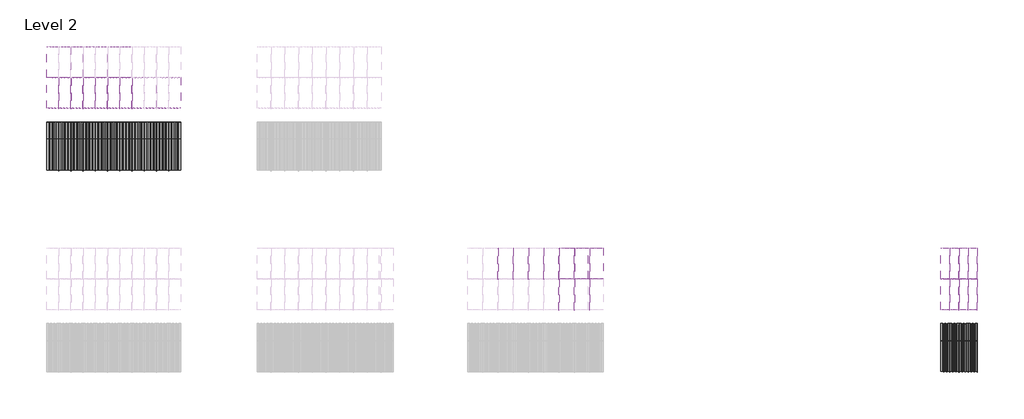
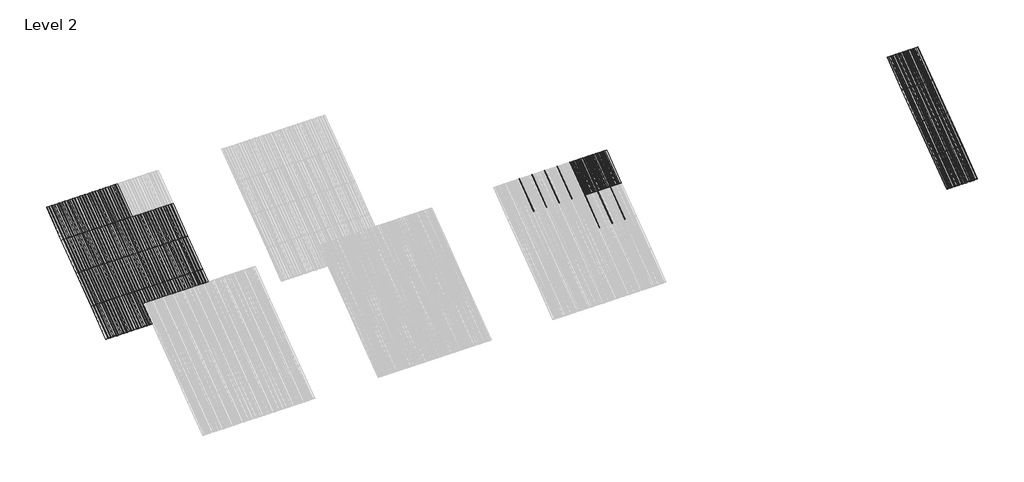
# One storey, part 34 of 113: 59 plates, 52 members.
"""IFC4 building model written with IfcOpenShell, lengths in millimetres."""

import ifcopenshell
import ifcopenshell.guid

model = None  # the IFC model being written
_history = None  # IfcOwnerHistory: only IFC2X3 demands one
_inside = {}  # id of a spatial element -> (the spatial element, [elements in it])
_under = {}  # id of a project, library or spatial element -> (it, [spatial elements below it])
_declared = {}  # id of a project -> (the project, [libraries it declares])
_typed = {}  # id of a type object -> (the type object, [elements of that type])
_made_of = {}  # id of a material, layer set ... -> (it, [elements and type objects made of it])


def new_model(schema):
    """Start an empty IFC model of exactly this schema.

    Asked for "IFC4X3", IfcOpenShell would pick the latest addendum, in which some entities
    have other attributes; the version numbers below select the first issue.
    IFC2X3 requires an IfcOwnerHistory on every rooted entity: one is made here for all.
    """
    global model, _history
    if schema == "IFC4X3":
        model = ifcopenshell.file(schema_version=(4, 3, 0, 0))
    else:
        model = ifcopenshell.file(schema=schema)
    _inside.clear()
    _under.clear()
    _declared.clear()
    _typed.clear()
    _made_of.clear()
    _history = None
    if model.schema == "IFC2X3":
        org = make("IfcOrganization", Name="unknown")
        user = make(
            "IfcPersonAndOrganization",
            ThePerson=make("IfcPerson", FamilyName="unknown"),
            TheOrganization=org,
        )
        app = make(
            "IfcApplication",
            ApplicationDeveloper=org,
            Version="unknown",
            ApplicationFullName="unknown",
            ApplicationIdentifier="unknown",
        )
        _history = make(
            "IfcOwnerHistory",
            OwningUser=user,
            OwningApplication=app,
            ChangeAction="ADDED",
            CreationDate=0,
        )
    return model


def make(cls, **values):
    """One entity of the class cls with the attributes given. An attribute that is None is left unset."""
    return model.create_entity(
        cls, **{name: value for name, value in values.items() if value is not None}
    )


def rooted(cls, **values):
    """An entity with a GlobalId (a new one), such as an element, a storey or a relation."""
    return make(cls, GlobalId=ifcopenshell.guid.new(), OwnerHistory=_history, **values)


def si_unit(unit_type, name, prefix=None):
    """IfcSIUnit, for example si_unit("LENGTHUNIT", "METRE", prefix="MILLI")."""
    return make("IfcSIUnit", UnitType=unit_type, Prefix=prefix, Name=name)


def assignment(units):
    """IfcUnitAssignment: the units of a project."""
    return None if units is None else make("IfcUnitAssignment", Units=units)


def point(xyz):
    """IfcCartesianPoint."""
    return None if xyz is None else make("IfcCartesianPoint", Coordinates=xyz)


def direction(xyz):
    """IfcDirection."""
    return None if xyz is None else make("IfcDirection", DirectionRatios=xyz)


def frame(location, z_axis=None, x_axis=None):
    """IfcAxis2Placement3D, a coordinate frame: its origin and axes. An axis left out is left unset."""
    return make(
        "IfcAxis2Placement3D",
        Location=point(location),
        Axis=direction(z_axis),
        RefDirection=direction(x_axis),
    )


def frame_2d(location, x_axis=None):
    """IfcAxis2Placement2D, a coordinate frame in the plane: its origin and x axis."""
    return make(
        "IfcAxis2Placement2D", Location=point(location), RefDirection=direction(x_axis)
    )


def origin():
    """The frame at (0, 0, 0) with its axes left unset."""
    return frame((0.0, 0.0, 0.0))


def origin_with_axes():
    """The frame at (0, 0, 0) with the z axis (0, 0, 1) and the x axis (1, 0, 0) written out."""
    return frame((0.0, 0.0, 0.0), z_axis=(0.0, 0.0, 1.0), x_axis=(1.0, 0.0, 0.0))


def place(relative_to, where):
    """IfcLocalPlacement: puts the frame where relative to a parent placement (None: the world)."""
    return make(
        "IfcLocalPlacement", PlacementRelTo=relative_to, RelativePlacement=where
    )


def context(
    kind, dimensions, precision=None, world=None, true_north=None, identifier=None
):
    """IfcGeometricRepresentationContext, for example the 3D "Model" context."""
    return make(
        "IfcGeometricRepresentationContext",
        ContextIdentifier=identifier,
        ContextType=kind,
        CoordinateSpaceDimension=dimensions,
        Precision=precision,
        WorldCoordinateSystem=world,
        TrueNorth=true_north,
    )


def project(units=None, contexts=None):
    """IfcProject with its units and contexts."""
    return rooted(
        "IfcProject",
        Name="project",
        RepresentationContexts=contexts,
        UnitsInContext=assignment(units),
    )


def spatial(cls, under=None, at=None, **own):
    """A site, building, storey or space (cls), placed at a placement, below another one or the project."""
    s = rooted(cls, ObjectPlacement=at, **own)
    if under is not None:
        _under.setdefault(under.id(), (under, []))[1].append(s)
    return s


def polyline(points):
    """IfcPolyline through the points."""
    return make("IfcPolyline", Points=[point(p) for p in points])


def circle_curve(where, radius):
    """IfcCircle in the frame where."""
    return make("IfcCircle", Position=where, Radius=radius)


def trimmed(basis, trim1, trim2, sense, master):
    """IfcTrimmedCurve: the piece of a basis curve between two trims."""
    return make(
        "IfcTrimmedCurve",
        BasisCurve=basis,
        Trim1=trim1,
        Trim2=trim2,
        SenseAgreement=sense,
        MasterRepresentation=master,
    )


def segment(curve, same_sense, transition):
    """IfcCompositeCurveSegment."""
    return make(
        "IfcCompositeCurveSegment",
        Transition=transition,
        SameSense=same_sense,
        ParentCurve=curve,
    )


def composite_curve(segments, self_intersect=None):
    """IfcCompositeCurve: segments joined end to end."""
    return make("IfcCompositeCurve", Segments=segments, SelfIntersect=self_intersect)


def outline(outer, holes=None, kind="AREA"):
    """IfcArbitraryClosedProfileDef: a profile drawn as a closed curve; with holes, ...WithVoids."""
    if holes is None:
        return make("IfcArbitraryClosedProfileDef", ProfileType=kind, OuterCurve=outer)
    return make(
        "IfcArbitraryProfileDefWithVoids",
        ProfileType=kind,
        OuterCurve=outer,
        InnerCurves=holes,
    )


def extrude(swept, where, along, depth):
    """IfcExtrudedAreaSolid: the profile swept, set in the frame where, extruded along a direction by depth."""
    return make(
        "IfcExtrudedAreaSolid",
        SweptArea=swept,
        Position=where,
        ExtrudedDirection=direction(along),
        Depth=depth,
    )


def shape(context_of_items, identifier, shape_type, items):
    """IfcShapeRepresentation: the items that make up one representation, for example the "Body"."""
    return make(
        "IfcShapeRepresentation",
        ContextOfItems=context_of_items,
        RepresentationIdentifier=identifier,
        RepresentationType=shape_type,
        Items=items,
    )


def source(mapping_origin, context_of_items, identifier, shape_type, items):
    """IfcRepresentationMap: a shape defined once, which mapped items show again and again."""
    return make(
        "IfcRepresentationMap",
        MappingOrigin=mapping_origin,
        MappedRepresentation=shape(context_of_items, identifier, shape_type, items),
    )


def transform(
    local_origin,
    x_axis=None,
    y_axis=None,
    z_axis=None,
    scale=None,
    scale2=None,
    scale3=None,
    uniform=True,
):
    """IfcCartesianTransformationOperator3D, or its non-uniform kind. x_axis, y_axis, z_axis: its Axis1, 2, 3."""
    if uniform:
        return make(
            "IfcCartesianTransformationOperator3D",
            Axis1=direction(x_axis),
            Axis2=direction(y_axis),
            LocalOrigin=point(local_origin),
            Scale=scale,
            Axis3=direction(z_axis),
        )
    return make(
        "IfcCartesianTransformationOperator3DnonUniform",
        Axis1=direction(x_axis),
        Axis2=direction(y_axis),
        LocalOrigin=point(local_origin),
        Scale=scale,
        Axis3=direction(z_axis),
        Scale2=scale2,
        Scale3=scale3,
    )


def mapped(mapping_source, mapping_target):
    """IfcMappedItem: shows the shape of a source again, moved by a transform."""
    return make(
        "IfcMappedItem", MappingSource=mapping_source, MappingTarget=mapping_target
    )


def made_of(thing, what):
    """Note that an element or type object is made of a material, layer set ...; save() writes the relation."""
    if what is not None:
        _made_of.setdefault(what.id(), (what, []))[1].append(thing)
    return thing


def element(
    cls,
    number,
    at=None,
    inside=None,
    cuts=None,
    type_object=None,
    material=None,
    context=None,
    identifier="Body",
    shape_type=None,
    held_by="IfcProductDefinitionShape",
    body=None,
    shapes=None,
    **own,
):
    """One element of the class cls, such as IfcWall. Its Tag is "e" and its number.

    at: its placement. inside: the storey or other place that contains it. cuts: it is an
    opening in that element (IfcRelVoidsElement). A single representation is given by context,
    identifier, shape_type and body (its items); several are given by shapes. held_by: the class
    of the entity that holds the representations. save() writes the other relations.
    """
    e = rooted(cls, Tag="e%d" % number, ObjectPlacement=at, **own)
    if body is not None:
        shapes = [shape(context, identifier, shape_type, body)]
    if shapes is not None:
        e.Representation = make(held_by, Representations=shapes)
    if inside is not None:
        _inside.setdefault(inside.id(), (inside, []))[1].append(e)
    if cuts is not None:
        rooted(
            "IfcRelVoidsElement", RelatingBuildingElement=cuts, RelatedOpeningElement=e
        )
    if type_object is not None:
        _typed.setdefault(type_object.id(), (type_object, []))[1].append(e)
    return made_of(e, material)


def aggregate(whole, parts):
    """IfcRelAggregates: a whole, such as a stair, and the parts it consists of."""
    return rooted("IfcRelAggregates", RelatingObject=whole, RelatedObjects=parts)


def save(model, path):
    """Write the relations noted so far, then the file.

    IfcRelAggregates (storeys below a building ...), IfcRelContainedInSpatialStructure (elements
    in a storey), IfcRelDefinesByType, IfcRelAssociatesMaterial and IfcRelDeclares: one each for
    every whole, place, type object, material and project.
    """
    for whole, parts in _under.values():
        aggregate(whole, parts)
    for where, things in _inside.values():
        rooted(
            "IfcRelContainedInSpatialStructure",
            RelatedElements=things,
            RelatingStructure=where,
        )
    for kind, things in _typed.values():
        rooted("IfcRelDefinesByType", RelatedObjects=things, RelatingType=kind)
    for what, things in _made_of.values():
        rooted("IfcRelAssociatesMaterial", RelatedObjects=things, RelatingMaterial=what)
    for by, libraries in _declared.values():
        rooted("IfcRelDeclares", RelatingContext=by, RelatedDefinitions=libraries)
    model.write(path)


def rectangular_mullion_707b4951(model_context):
    return source(origin(), model_context, "Body", "SweptSolid", [
        extrude(outline(composite_curve([segment(polyline([(-1.651, -33.918525), (-1.651, 0.396875), (1.778, 0.396875), (1.778, -36.458525)]), True, "CONTINUOUS"), segment(trimmed(circle_curve(frame_2d((-0.762, -36.458525)), 2.54), [point((1.778, -36.458525))], [point((-0.762, -38.998525))], False, "CARTESIAN"), True, "CONTINUOUS"), segment(polyline([(-0.762, -38.998525), (-5.207, -38.998525)]), True, "CONTINUOUS"), segment(trimmed(circle_curve(frame_2d((-5.207, -36.458525)), 2.54), [point((-5.207, -38.998525))], [point((-7.747, -36.458525))], False, "CARTESIAN"), True, "CONTINUOUS"), segment(polyline([(-7.747, -36.458525), (-7.747, -26.425525)]), True, "CONTINUOUS"), segment(trimmed(circle_curve(frame_2d((-5.207, -26.425525)), 2.54), [point((-7.747, -26.425525))], [point((-2.667, -26.425525))], False, "CARTESIAN"), True, "CONTINUOUS"), segment(polyline([(-2.667, -26.425525), (-2.667, -33.918525), (-1.651, -33.918525)]), True, "CONTINUOUS")], self_intersect=False)), frame((0.0, 0.0, -1285.875), z_axis=(0.0, 0.0, 1.0), x_axis=(1.0, 0.0, 0.0)), (0.0, 0.0, 1.0), 1285.875),
    ])


def plate_0_032_aluminium_e5f8d374(model_context):
    return source(origin(), model_context, "Body", "SweptSolid", [
        extrude(outline(polyline([(14.706393, 0.0), (-14.706393, 0.0), (-37.203173, -3.54838), (-66.870787, -3.54838), (-89.367567, 0.0), (-118.780353, 0.0), (-141.277133, -3.54838), (-170.944747, -3.54838), (-193.441527, 0.0), (-254.0, 0.0), (-254.0, 0.8128), (-193.37782, 0.8128), (-170.88104, -2.73558), (-141.34084, -2.73558), (-118.84406, 0.8128), (-89.30386, 0.8128), (-66.80708, -2.73558), (-37.26688, -2.73558), (-14.7701, 0.8128), (14.7701, 0.8128), (37.26688, -2.73558), (66.80708, -2.73558), (89.30386, 0.8128), (118.84406, 0.8128), (141.34084, -2.73558), (170.88104, -2.73558), (193.37782, 0.8128), (254.0, 0.8128), (254.0, 0.0), (193.441527, 0.0), (170.944747, -3.54838), (141.277133, -3.54838), (118.780353, 0.0), (89.367567, 0.0), (66.870787, -3.54838), (37.203173, -3.54838), (14.706393, 0.0)])), origin_with_axes(), (0.0, 0.0, 1.0), 1285.875),
    ])


def plate_0_032_aluminium_91d3225e(model_context):
    return source(origin(), model_context, "Body", "SweptSolid", [
        extrude(outline(polyline([(-123.9800294, 0.8128), (-120.4316494, -2.73558), (-90.8914494, -2.73558), (-87.3430694, 0.8128), (-18.31848, 0.8128), (-14.7701, -2.73558), (14.7701, -2.73558), (18.31848, 0.8128), (85.75548, 0.8128), (89.30386, -2.73558), (118.84406, -2.73558), (122.39244, 0.8128), (203.2, 0.8128), (203.2, 0.0), (122.456147, 0.0), (118.907767, -3.54838), (89.240153, -3.54838), (85.691773, 0.0), (18.382187, 0.0), (14.833807, -3.54838), (-14.833807, -3.54838), (-18.382187, 0.0), (-87.2793624, 0.0), (-90.8277424, -3.54838), (-120.4953564, -3.54838), (-124.0437364, 0.0), (-203.2, 0.0), (-203.2, 0.8128), (-123.9800294, 0.8128)])), origin_with_axes(), (0.0, 0.0, 1.0), 1285.875),
    ])


def plate_0_032_aluminium_fd951f71(model_context):
    return source(origin(), model_context, "Body", "SweptSolid", [
        extrude(outline(polyline([(-89.30386, 0.8128), (-66.80708, -2.73558), (-37.26688, -2.73558), (-14.7701, 0.8128), (14.7701, 0.8128), (37.26688, -2.73558), (66.80708, -2.73558), (89.30386, 0.8128), (152.4, 0.8128), (152.4, 0.0), (89.367567, 0.0), (66.870787, -3.54838), (37.203173, -3.54838), (14.706393, 0.0), (-14.706393, 0.0), (-37.203173, -3.54838), (-66.870787, -3.54838), (-89.367567, 0.0), (-152.4, 0.0), (-152.4, 0.8128), (-89.30386, 0.8128)])), origin_with_axes(), (0.0, 0.0, 1.0), 1285.875),
    ])


model = new_model("IFC4")

# Units and contexts
model_context = context("Model", 3, world=origin())
ifc_project = project(units=[si_unit("LENGTHUNIT", "METRE", prefix="MILLI")], contexts=[model_context])

# Site, building, storey
site = spatial("IfcSite", under=ifc_project)
building = spatial("IfcBuilding", under=site)
storey = spatial("IfcBuildingStorey", under=building, Name="Level 2", Elevation=3048.0)

# Members
placement = place(None, origin())
rectangular_mullion_shape = rectangular_mullion_707b4951(model_context)
element("IfcMember", 1, ObjectType="Rectangular Mullion", at=placement, inside=storey, context=model_context, shape_type="MappedRepresentation", body=[
    mapped(rectangular_mullion_shape, transform((95071.2738425, 45668.9258739, 6134.1), x_axis=(1.0, 0.0, 0.0), y_axis=(0.0, 0.5999999999999946, -0.800000000000004), z_axis=(0.0, 0.800000000000004, 0.5999999999999946))),
])
element("IfcMember", 2, ObjectType="Rectangular Mullion", at=placement, inside=storey, context=model_context, shape_type="MappedRepresentation", body=[
    mapped(rectangular_mullion_shape, transform((95376.0738425, 45668.9258739, 6134.1), x_axis=(1.0, 0.0, 0.0), y_axis=(0.0, 0.5999999999999946, -0.800000000000004), z_axis=(0.0, 0.800000000000004, 0.5999999999999946))),
])
element("IfcMember", 3, ObjectType="Rectangular Mullion", at=placement, inside=storey, context=model_context, shape_type="MappedRepresentation", body=[
    mapped(rectangular_mullion_shape, transform((95680.8738425, 45668.9258739, 6134.1), x_axis=(1.0, 0.0, 0.0), y_axis=(0.0, 0.5999999999999946, -0.800000000000004), z_axis=(0.0, 0.800000000000004, 0.5999999999999946))),
])
element("IfcMember", 4, ObjectType="Rectangular Mullion", at=placement, inside=storey, context=model_context, shape_type="MappedRepresentation", body=[
    mapped(rectangular_mullion_shape, transform((95985.6738425, 45668.9258739, 6134.1), x_axis=(1.0, 0.0, 0.0), y_axis=(0.0, 0.5999999999999946, -0.800000000000004), z_axis=(0.0, 0.800000000000004, 0.5999999999999946))),
])
element("IfcMember", 5, ObjectType="Rectangular Mullion", at=placement, inside=storey, context=model_context, shape_type="MappedRepresentation", body=[
    mapped(rectangular_mullion_shape, transform((95071.2738425, 42582.8258739, 3819.525), x_axis=(1.0, 0.0, 0.0), y_axis=(0.0, 0.5999999999999939, -0.8000000000000047), z_axis=(0.0, 0.8000000000000047, 0.5999999999999939))),
])
element("IfcMember", 6, ObjectType="Rectangular Mullion", at=placement, inside=storey, context=model_context, shape_type="MappedRepresentation", body=[
    mapped(rectangular_mullion_shape, transform((95376.0738425, 42582.8258739, 3819.525), x_axis=(1.0, 0.0, 0.0), y_axis=(0.0, 0.5999999999999939, -0.8000000000000047), z_axis=(0.0, 0.8000000000000047, 0.5999999999999939))),
])
element("IfcMember", 7, ObjectType="Rectangular Mullion", at=placement, inside=storey, context=model_context, shape_type="MappedRepresentation", body=[
    mapped(rectangular_mullion_shape, transform((95680.8738425, 42582.8258739, 3819.525), x_axis=(1.0, 0.0, 0.0), y_axis=(0.0, 0.5999999999999939, -0.8000000000000047), z_axis=(0.0, 0.8000000000000047, 0.5999999999999939))),
])
element("IfcMember", 8, ObjectType="Rectangular Mullion", at=placement, inside=storey, context=model_context, shape_type="MappedRepresentation", body=[
    mapped(rectangular_mullion_shape, transform((95985.6738425, 42582.8258739, 3819.525), x_axis=(1.0, 0.0, 0.0), y_axis=(0.0, 0.5999999999999939, -0.8000000000000047), z_axis=(0.0, 0.8000000000000047, 0.5999999999999939))),
])
element("IfcMember", 9, ObjectType="Rectangular Mullion", at=placement, inside=storey, context=model_context, shape_type="MappedRepresentation", body=[
    mapped(rectangular_mullion_shape, transform((95071.2738425, 43611.5258739, 4591.05), x_axis=(1.0, 0.0, 0.0), y_axis=(0.0, 0.5999999999999952, -0.8000000000000037), z_axis=(0.0, 0.8000000000000037, 0.5999999999999952))),
])
element("IfcMember", 10, ObjectType="Rectangular Mullion", at=placement, inside=storey, context=model_context, shape_type="MappedRepresentation", body=[
    mapped(rectangular_mullion_shape, transform((95376.0738425, 43611.5258739, 4591.05), x_axis=(1.0, 0.0, 0.0), y_axis=(0.0, 0.5999999999999952, -0.8000000000000037), z_axis=(0.0, 0.8000000000000037, 0.5999999999999952))),
])
element("IfcMember", 11, ObjectType="Rectangular Mullion", at=placement, inside=storey, context=model_context, shape_type="MappedRepresentation", body=[
    mapped(rectangular_mullion_shape, transform((95071.2738425, 44640.2258739, 5362.575), x_axis=(1.0, 0.0, 0.0), y_axis=(0.0, 0.5999999999999941, -0.8000000000000045), z_axis=(0.0, 0.8000000000000044, 0.599999999999994))),
])
element("IfcMember", 12, ObjectType="Rectangular Mullion", at=placement, inside=storey, context=model_context, shape_type="MappedRepresentation", body=[
    mapped(rectangular_mullion_shape, transform((95376.0738425, 44640.2258739, 5362.575), x_axis=(1.0, 0.0, 0.0), y_axis=(0.0, 0.5999999999999941, -0.8000000000000045), z_axis=(0.0, 0.8000000000000044, 0.599999999999994))),
])
element("IfcMember", 13, ObjectType="Rectangular Mullion", at=placement, inside=storey, context=model_context, shape_type="MappedRepresentation", body=[
    mapped(rectangular_mullion_shape, transform((95680.8738425, 43611.5258739, 4591.05), x_axis=(1.0, 0.0, 0.0), y_axis=(0.0, 0.5999999999999952, -0.8000000000000037), z_axis=(0.0, 0.8000000000000037, 0.5999999999999952))),
])
element("IfcMember", 14, ObjectType="Rectangular Mullion", at=placement, inside=storey, context=model_context, shape_type="MappedRepresentation", body=[
    mapped(rectangular_mullion_shape, transform((95985.6738425, 43611.5258739, 4591.05), x_axis=(1.0, 0.0, 0.0), y_axis=(0.0, 0.5999999999999952, -0.8000000000000037), z_axis=(0.0, 0.8000000000000037, 0.5999999999999952))),
])
element("IfcMember", 15, ObjectType="Rectangular Mullion", at=placement, inside=storey, context=model_context, shape_type="MappedRepresentation", body=[
    mapped(rectangular_mullion_shape, transform((95680.8738425, 44640.2258739, 5362.575), x_axis=(1.0, 0.0, 0.0), y_axis=(0.0, 0.5999999999999941, -0.8000000000000045), z_axis=(0.0, 0.8000000000000044, 0.599999999999994))),
])
element("IfcMember", 16, ObjectType="Rectangular Mullion", at=placement, inside=storey, context=model_context, shape_type="MappedRepresentation", body=[
    mapped(rectangular_mullion_shape, transform((95985.6738425, 44640.2258739, 5362.575), x_axis=(1.0, 0.0, 0.0), y_axis=(0.0, 0.5999999999999941, -0.8000000000000045), z_axis=(0.0, 0.8000000000000044, 0.599999999999994))),
])
element("IfcMember", 17, ObjectType="Rectangular Mullion", at=placement, inside=storey, context=model_context, shape_type="MappedRepresentation", body=[
    mapped(rectangular_mullion_shape, transform((80049.7138422, 45667.4971239, 6134.1), x_axis=(1.0, 0.0, 0.0), y_axis=(0.0, 0.5999999999999946, -0.800000000000004), z_axis=(0.0, 0.800000000000004, 0.5999999999999946))),
])
element("IfcMember", 18, ObjectType="Rectangular Mullion", at=placement, inside=storey, context=model_context, shape_type="MappedRepresentation", body=[
    mapped(rectangular_mullion_shape, transform((80557.7138422, 45667.4971239, 6134.1), x_axis=(1.0, 0.0, 0.0), y_axis=(0.0, 0.5999999999999946, -0.800000000000004), z_axis=(0.0, 0.800000000000004, 0.5999999999999946))),
])
element("IfcMember", 19, ObjectType="Rectangular Mullion", at=placement, inside=storey, context=model_context, shape_type="MappedRepresentation", body=[
    mapped(rectangular_mullion_shape, transform((81065.7138422, 45667.4971239, 6134.1), x_axis=(1.0, 0.0, 0.0), y_axis=(0.0, 0.5999999999999946, -0.800000000000004), z_axis=(0.0, 0.800000000000004, 0.5999999999999946))),
])
element("IfcMember", 20, ObjectType="Rectangular Mullion", at=placement, inside=storey, context=model_context, shape_type="MappedRepresentation", body=[
    mapped(rectangular_mullion_shape, transform((81573.7138422, 45667.4971239, 6134.1), x_axis=(1.0, 0.0, 0.0), y_axis=(0.0, 0.5999999999999946, -0.800000000000004), z_axis=(0.0, 0.800000000000004, 0.5999999999999946))),
])
element("IfcMember", 21, ObjectType="Rectangular Mullion", at=placement, inside=storey, context=model_context, shape_type="MappedRepresentation", body=[
    mapped(rectangular_mullion_shape, transform((82081.7138422, 45667.4971239, 6134.1), x_axis=(1.0, 0.0, 0.0), y_axis=(0.0, 0.5999999999999946, -0.800000000000004), z_axis=(0.0, 0.800000000000004, 0.5999999999999946))),
])
element("IfcMember", 22, ObjectType="Rectangular Mullion", at=placement, inside=storey, context=model_context, shape_type="MappedRepresentation", body=[
    mapped(rectangular_mullion_shape, transform((82589.7138422, 45667.4971239, 6134.1), x_axis=(1.0, 0.0, 0.0), y_axis=(0.0, 0.5999999999999946, -0.800000000000004), z_axis=(0.0, 0.800000000000004, 0.5999999999999946))),
])
element("IfcMember", 23, ObjectType="Rectangular Mullion", at=placement, inside=storey, context=model_context, shape_type="MappedRepresentation", body=[
    mapped(rectangular_mullion_shape, transform((83097.7138422, 45667.4971239, 6134.1), x_axis=(1.0, 0.0, 0.0), y_axis=(0.0, 0.5999999999999946, -0.800000000000004), z_axis=(0.0, 0.800000000000004, 0.5999999999999946))),
])
element("IfcMember", 24, ObjectType="Rectangular Mullion", at=placement, inside=storey, context=model_context, shape_type="MappedRepresentation", body=[
    mapped(rectangular_mullion_shape, transform((65444.7138422, 49286.9971239, 3819.525), x_axis=(1.0, 0.0, 0.0), y_axis=(0.0, 0.5999999999999939, -0.8000000000000047), z_axis=(0.0, 0.8000000000000047, 0.5999999999999939))),
])
element("IfcMember", 25, ObjectType="Rectangular Mullion", at=placement, inside=storey, context=model_context, shape_type="MappedRepresentation", body=[
    mapped(rectangular_mullion_shape, transform((65851.1138422, 49286.9971239, 3819.525), x_axis=(1.0, 0.0, 0.0), y_axis=(0.0, 0.5999999999999939, -0.8000000000000047), z_axis=(0.0, 0.8000000000000047, 0.5999999999999939))),
])
element("IfcMember", 26, ObjectType="Rectangular Mullion", at=placement, inside=storey, context=model_context, shape_type="MappedRepresentation", body=[
    mapped(rectangular_mullion_shape, transform((66257.5138422, 49286.9971239, 3819.525), x_axis=(1.0, 0.0, 0.0), y_axis=(0.0, 0.5999999999999939, -0.8000000000000047), z_axis=(0.0, 0.8000000000000047, 0.5999999999999939))),
])
element("IfcMember", 27, ObjectType="Rectangular Mullion", at=placement, inside=storey, context=model_context, shape_type="MappedRepresentation", body=[
    mapped(rectangular_mullion_shape, transform((66663.9138422, 49286.9971239, 3819.525), x_axis=(1.0, 0.0, 0.0), y_axis=(0.0, 0.5999999999999939, -0.8000000000000047), z_axis=(0.0, 0.8000000000000047, 0.5999999999999939))),
])
element("IfcMember", 28, ObjectType="Rectangular Mullion", at=placement, inside=storey, context=model_context, shape_type="MappedRepresentation", body=[
    mapped(rectangular_mullion_shape, transform((67070.3138422, 49286.9971239, 3819.525), x_axis=(1.0, 0.0, 0.0), y_axis=(0.0, 0.5999999999999939, -0.8000000000000047), z_axis=(0.0, 0.8000000000000047, 0.5999999999999939))),
])
element("IfcMember", 29, ObjectType="Rectangular Mullion", at=placement, inside=storey, context=model_context, shape_type="MappedRepresentation", body=[
    mapped(rectangular_mullion_shape, transform((67476.7138422, 49286.9971239, 3819.525), x_axis=(1.0, 0.0, 0.0), y_axis=(0.0, 0.5999999999999939, -0.8000000000000047), z_axis=(0.0, 0.8000000000000047, 0.5999999999999939))),
])
element("IfcMember", 30, ObjectType="Rectangular Mullion", at=placement, inside=storey, context=model_context, shape_type="MappedRepresentation", body=[
    mapped(rectangular_mullion_shape, transform((67883.1138422, 49286.9971239, 3819.525), x_axis=(1.0, 0.0, 0.0), y_axis=(0.0, 0.5999999999999939, -0.8000000000000047), z_axis=(0.0, 0.8000000000000047, 0.5999999999999939))),
])
element("IfcMember", 31, ObjectType="Rectangular Mullion", at=placement, inside=storey, context=model_context, shape_type="MappedRepresentation", body=[
    mapped(rectangular_mullion_shape, transform((68289.5138422, 49286.9971239, 3819.525), x_axis=(1.0, 0.0, 0.0), y_axis=(0.0, 0.5999999999999939, -0.8000000000000047), z_axis=(0.0, 0.8000000000000047, 0.5999999999999939))),
])
element("IfcMember", 32, ObjectType="Rectangular Mullion", at=placement, inside=storey, context=model_context, shape_type="MappedRepresentation", body=[
    mapped(rectangular_mullion_shape, transform((68695.9138422, 49286.9971239, 3819.525), x_axis=(1.0, 0.0, 0.0), y_axis=(0.0, 0.5999999999999939, -0.8000000000000047), z_axis=(0.0, 0.8000000000000047, 0.5999999999999939))),
])
element("IfcMember", 33, ObjectType="Rectangular Mullion", at=placement, inside=storey, context=model_context, shape_type="MappedRepresentation", body=[
    mapped(rectangular_mullion_shape, transform((69102.3138422, 49286.9971239, 3819.525), x_axis=(1.0, 0.0, 0.0), y_axis=(0.0, 0.5999999999999939, -0.8000000000000047), z_axis=(0.0, 0.8000000000000047, 0.5999999999999939))),
])
element("IfcMember", 34, ObjectType="Rectangular Mullion", at=placement, inside=storey, context=model_context, shape_type="MappedRepresentation", body=[
    mapped(rectangular_mullion_shape, transform((82081.7138422, 44638.7971239, 5362.575), x_axis=(1.0, 0.0, 0.0), y_axis=(0.0, 0.5999999999999941, -0.8000000000000045), z_axis=(0.0, 0.8000000000000044, 0.599999999999994))),
])
element("IfcMember", 35, ObjectType="Rectangular Mullion", at=placement, inside=storey, context=model_context, shape_type="MappedRepresentation", body=[
    mapped(rectangular_mullion_shape, transform((82589.7138422, 44638.7971239, 5362.575), x_axis=(1.0, 0.0, 0.0), y_axis=(0.0, 0.5999999999999941, -0.8000000000000045), z_axis=(0.0, 0.8000000000000044, 0.599999999999994))),
])
element("IfcMember", 36, ObjectType="Rectangular Mullion", at=placement, inside=storey, context=model_context, shape_type="MappedRepresentation", body=[
    mapped(rectangular_mullion_shape, transform((83097.7138422, 44638.7971239, 5362.575), x_axis=(1.0, 0.0, 0.0), y_axis=(0.0, 0.5999999999999941, -0.8000000000000045), z_axis=(0.0, 0.8000000000000044, 0.599999999999994))),
])
element("IfcMember", 37, ObjectType="Rectangular Mullion", at=placement, inside=storey, context=model_context, shape_type="MappedRepresentation", body=[
    mapped(rectangular_mullion_shape, transform((65444.7138422, 50315.6971239, 4591.05), x_axis=(1.0, 0.0, 0.0), y_axis=(0.0, 0.5999999999999952, -0.8000000000000037), z_axis=(0.0, 0.8000000000000037, 0.5999999999999952))),
])
element("IfcMember", 38, ObjectType="Rectangular Mullion", at=placement, inside=storey, context=model_context, shape_type="MappedRepresentation", body=[
    mapped(rectangular_mullion_shape, transform((65851.1138422, 50315.6971239, 4591.05), x_axis=(1.0, 0.0, 0.0), y_axis=(0.0, 0.5999999999999952, -0.8000000000000037), z_axis=(0.0, 0.8000000000000037, 0.5999999999999952))),
])
element("IfcMember", 39, ObjectType="Rectangular Mullion", at=placement, inside=storey, context=model_context, shape_type="MappedRepresentation", body=[
    mapped(rectangular_mullion_shape, transform((65444.7138422, 51344.3971239, 5362.575), x_axis=(1.0, 0.0, 0.0), y_axis=(0.0, 0.5999999999999941, -0.8000000000000045), z_axis=(0.0, 0.8000000000000044, 0.599999999999994))),
])
element("IfcMember", 40, ObjectType="Rectangular Mullion", at=placement, inside=storey, context=model_context, shape_type="MappedRepresentation", body=[
    mapped(rectangular_mullion_shape, transform((65851.1138422, 51344.3971239, 5362.575), x_axis=(1.0, 0.0, 0.0), y_axis=(0.0, 0.5999999999999941, -0.8000000000000045), z_axis=(0.0, 0.8000000000000044, 0.599999999999994))),
])
element("IfcMember", 41, ObjectType="Rectangular Mullion", at=placement, inside=storey, context=model_context, shape_type="MappedRepresentation", body=[
    mapped(rectangular_mullion_shape, transform((66257.5138422, 50315.6971239, 4591.05), x_axis=(1.0, 0.0, 0.0), y_axis=(0.0, 0.5999999999999952, -0.8000000000000037), z_axis=(0.0, 0.8000000000000037, 0.5999999999999952))),
])
element("IfcMember", 42, ObjectType="Rectangular Mullion", at=placement, inside=storey, context=model_context, shape_type="MappedRepresentation", body=[
    mapped(rectangular_mullion_shape, transform((66663.9138422, 50315.6971239, 4591.05), x_axis=(1.0, 0.0, 0.0), y_axis=(0.0, 0.5999999999999952, -0.8000000000000037), z_axis=(0.0, 0.8000000000000037, 0.5999999999999952))),
])
element("IfcMember", 43, ObjectType="Rectangular Mullion", at=placement, inside=storey, context=model_context, shape_type="MappedRepresentation", body=[
    mapped(rectangular_mullion_shape, transform((67070.3138422, 50315.6971239, 4591.05), x_axis=(1.0, 0.0, 0.0), y_axis=(0.0, 0.5999999999999952, -0.8000000000000037), z_axis=(0.0, 0.8000000000000037, 0.5999999999999952))),
])
element("IfcMember", 44, ObjectType="Rectangular Mullion", at=placement, inside=storey, context=model_context, shape_type="MappedRepresentation", body=[
    mapped(rectangular_mullion_shape, transform((67476.7138422, 50315.6971239, 4591.05), x_axis=(1.0, 0.0, 0.0), y_axis=(0.0, 0.5999999999999952, -0.8000000000000037), z_axis=(0.0, 0.8000000000000037, 0.5999999999999952))),
])
element("IfcMember", 45, ObjectType="Rectangular Mullion", at=placement, inside=storey, context=model_context, shape_type="MappedRepresentation", body=[
    mapped(rectangular_mullion_shape, transform((67883.1138422, 50315.6971239, 4591.05), x_axis=(1.0, 0.0, 0.0), y_axis=(0.0, 0.5999999999999952, -0.8000000000000037), z_axis=(0.0, 0.8000000000000037, 0.5999999999999952))),
])
element("IfcMember", 46, ObjectType="Rectangular Mullion", at=placement, inside=storey, context=model_context, shape_type="MappedRepresentation", body=[
    mapped(rectangular_mullion_shape, transform((68289.5138422, 50315.6971239, 4591.05), x_axis=(1.0, 0.0, 0.0), y_axis=(0.0, 0.5999999999999952, -0.8000000000000037), z_axis=(0.0, 0.8000000000000037, 0.5999999999999952))),
])
element("IfcMember", 47, ObjectType="Rectangular Mullion", at=placement, inside=storey, context=model_context, shape_type="MappedRepresentation", body=[
    mapped(rectangular_mullion_shape, transform((68695.9138422, 50315.6971239, 4591.05), x_axis=(1.0, 0.0, 0.0), y_axis=(0.0, 0.5999999999999952, -0.8000000000000037), z_axis=(0.0, 0.8000000000000037, 0.5999999999999952))),
])
element("IfcMember", 48, ObjectType="Rectangular Mullion", at=placement, inside=storey, context=model_context, shape_type="MappedRepresentation", body=[
    mapped(rectangular_mullion_shape, transform((66257.5138422, 51344.3971239, 5362.575), x_axis=(1.0, 0.0, 0.0), y_axis=(0.0, 0.5999999999999941, -0.8000000000000045), z_axis=(0.0, 0.8000000000000044, 0.599999999999994))),
])
element("IfcMember", 49, ObjectType="Rectangular Mullion", at=placement, inside=storey, context=model_context, shape_type="MappedRepresentation", body=[
    mapped(rectangular_mullion_shape, transform((66663.9138422, 51344.3971239, 5362.575), x_axis=(1.0, 0.0, 0.0), y_axis=(0.0, 0.5999999999999941, -0.8000000000000045), z_axis=(0.0, 0.8000000000000044, 0.599999999999994))),
])
element("IfcMember", 50, ObjectType="Rectangular Mullion", at=placement, inside=storey, context=model_context, shape_type="MappedRepresentation", body=[
    mapped(rectangular_mullion_shape, transform((67070.3138422, 51344.3971239, 5362.575), x_axis=(1.0, 0.0, 0.0), y_axis=(0.0, 0.5999999999999941, -0.8000000000000045), z_axis=(0.0, 0.8000000000000044, 0.599999999999994))),
])
element("IfcMember", 51, ObjectType="Rectangular Mullion", at=placement, inside=storey, context=model_context, shape_type="MappedRepresentation", body=[
    mapped(rectangular_mullion_shape, transform((67476.7138422, 51344.3971239, 5362.575), x_axis=(1.0, 0.0, 0.0), y_axis=(0.0, 0.5999999999999941, -0.8000000000000045), z_axis=(0.0, 0.8000000000000044, 0.599999999999994))),
])
element("IfcMember", 52, ObjectType="Rectangular Mullion", at=placement, inside=storey, context=model_context, shape_type="MappedRepresentation", body=[
    mapped(rectangular_mullion_shape, transform((67883.1138422, 51344.3971239, 5362.575), x_axis=(1.0, 0.0, 0.0), y_axis=(0.0, 0.5999999999999941, -0.8000000000000045), z_axis=(0.0, 0.8000000000000044, 0.599999999999994))),
])

# Plates
plate_0_032_aluminium_shape = plate_0_032_aluminium_e5f8d374(model_context)
element("IfcPlate", 53, ObjectType="22 Ga. Steel", at=placement, inside=storey, context=model_context, shape_type="MappedRepresentation", body=[
    mapped(plate_0_032_aluminium_shape, transform((82335.7773422, 44638.7971239, 5362.575), x_axis=(1.0, 0.0, 0.0), y_axis=(0.0, 0.5999999999999943, -0.8000000000000043), z_axis=(0.0, 0.8000000000000043, 0.5999999999999943))),
])
element("IfcPlate", 54, ObjectType="22 Ga. Steel", at=placement, inside=storey, context=model_context, shape_type="MappedRepresentation", body=[
    mapped(plate_0_032_aluminium_shape, transform((82843.7773422, 44638.7971239, 5362.575), x_axis=(1.0, 0.0, 0.0), y_axis=(0.0, 0.5999999999999943, -0.8000000000000043), z_axis=(0.0, 0.8000000000000043, 0.5999999999999943))),
])
element("IfcPlate", 55, ObjectType="22 Ga. Steel", at=placement, inside=storey, context=model_context, shape_type="MappedRepresentation", body=[
    mapped(plate_0_032_aluminium_shape, transform((83295.0083422, 44638.7971239, 5362.575), x_axis=(1.0, 0.0, 0.0), y_axis=(0.0, 0.5999999999999943, -0.8000000000000043), z_axis=(0.0, 0.8000000000000043, 0.5999999999999943))),
])
plate_0_032_aluminium_2_shape = plate_0_032_aluminium_91d3225e(model_context)
element("IfcPlate", 56, ObjectType="22 Ga. Steel", at=placement, inside=storey, context=model_context, shape_type="MappedRepresentation", body=[
    mapped(plate_0_032_aluminium_2_shape, transform((65241.513842, 48258.2971239, 3048.0), x_axis=(1.0, 0.0, 0.0), y_axis=(0.0, 0.5999999999999943, -0.8000000000000043), z_axis=(0.0, 0.8000000000000043, 0.5999999999999943))),
])
element("IfcPlate", 57, ObjectType="22 Ga. Steel", at=placement, inside=storey, context=model_context, shape_type="MappedRepresentation", body=[
    mapped(plate_0_032_aluminium_2_shape, transform((65241.513842, 49286.9971239, 3819.525), x_axis=(1.0, 0.0, 0.0), y_axis=(0.0, 0.5999999999999943, -0.8000000000000043), z_axis=(0.0, 0.8000000000000043, 0.5999999999999943))),
])
element("IfcPlate", 58, ObjectType="22 Ga. Steel", at=placement, inside=storey, context=model_context, shape_type="MappedRepresentation", body=[
    mapped(plate_0_032_aluminium_2_shape, transform((65241.513842, 50315.6971239, 4591.05), x_axis=(1.0, 0.0, 0.0), y_axis=(0.0, 0.5999999999999943, -0.8000000000000043), z_axis=(0.0, 0.8000000000000043, 0.5999999999999943))),
])
element("IfcPlate", 59, ObjectType="22 Ga. Steel", at=placement, inside=storey, context=model_context, shape_type="MappedRepresentation", body=[
    mapped(plate_0_032_aluminium_2_shape, transform((65241.513842, 51344.3971239, 5362.575), x_axis=(1.0, 0.0, 0.0), y_axis=(0.0, 0.5999999999999943, -0.8000000000000043), z_axis=(0.0, 0.8000000000000043, 0.5999999999999943))),
])
element("IfcPlate", 60, ObjectType="22 Ga. Steel", at=placement, inside=storey, context=model_context, shape_type="MappedRepresentation", body=[
    mapped(plate_0_032_aluminium_2_shape, transform((65647.9773422, 48258.2971239, 3048.0), x_axis=(1.0, 0.0, 0.0), y_axis=(0.0, 0.5999999999999943, -0.8000000000000043), z_axis=(0.0, 0.8000000000000043, 0.5999999999999943))),
])
element("IfcPlate", 61, ObjectType="22 Ga. Steel", at=placement, inside=storey, context=model_context, shape_type="MappedRepresentation", body=[
    mapped(plate_0_032_aluminium_2_shape, transform((66054.3773422, 48258.2971239, 3048.0), x_axis=(1.0, 0.0, 0.0), y_axis=(0.0, 0.5999999999999943, -0.8000000000000043), z_axis=(0.0, 0.8000000000000043, 0.5999999999999943))),
])
element("IfcPlate", 62, ObjectType="22 Ga. Steel", at=placement, inside=storey, context=model_context, shape_type="MappedRepresentation", body=[
    mapped(plate_0_032_aluminium_2_shape, transform((65647.9773422, 49286.9971239, 3819.525), x_axis=(1.0, 0.0, 0.0), y_axis=(0.0, 0.5999999999999943, -0.8000000000000043), z_axis=(0.0, 0.8000000000000043, 0.5999999999999943))),
])
element("IfcPlate", 63, ObjectType="22 Ga. Steel", at=placement, inside=storey, context=model_context, shape_type="MappedRepresentation", body=[
    mapped(plate_0_032_aluminium_2_shape, transform((66054.3773422, 49286.9971239, 3819.525), x_axis=(1.0, 0.0, 0.0), y_axis=(0.0, 0.5999999999999943, -0.8000000000000043), z_axis=(0.0, 0.8000000000000043, 0.5999999999999943))),
])
element("IfcPlate", 64, ObjectType="22 Ga. Steel", at=placement, inside=storey, context=model_context, shape_type="MappedRepresentation", body=[
    mapped(plate_0_032_aluminium_2_shape, transform((65647.9773422, 50315.6971239, 4591.05), x_axis=(1.0, 0.0, 0.0), y_axis=(0.0, 0.5999999999999943, -0.8000000000000043), z_axis=(0.0, 0.8000000000000043, 0.5999999999999943))),
])
element("IfcPlate", 65, ObjectType="22 Ga. Steel", at=placement, inside=storey, context=model_context, shape_type="MappedRepresentation", body=[
    mapped(plate_0_032_aluminium_2_shape, transform((66054.3773422, 50315.6971239, 4591.05), x_axis=(1.0, 0.0, 0.0), y_axis=(0.0, 0.5999999999999943, -0.8000000000000043), z_axis=(0.0, 0.8000000000000043, 0.5999999999999943))),
])
element("IfcPlate", 66, ObjectType="22 Ga. Steel", at=placement, inside=storey, context=model_context, shape_type="MappedRepresentation", body=[
    mapped(plate_0_032_aluminium_2_shape, transform((65647.9773422, 51344.3971239, 5362.575), x_axis=(1.0, 0.0, 0.0), y_axis=(0.0, 0.5999999999999943, -0.8000000000000043), z_axis=(0.0, 0.8000000000000043, 0.5999999999999943))),
])
element("IfcPlate", 67, ObjectType="22 Ga. Steel", at=placement, inside=storey, context=model_context, shape_type="MappedRepresentation", body=[
    mapped(plate_0_032_aluminium_2_shape, transform((66054.3773422, 51344.3971239, 5362.575), x_axis=(1.0, 0.0, 0.0), y_axis=(0.0, 0.5999999999999943, -0.8000000000000043), z_axis=(0.0, 0.8000000000000043, 0.5999999999999943))),
])
element("IfcPlate", 68, ObjectType="22 Ga. Steel", at=placement, inside=storey, context=model_context, shape_type="MappedRepresentation", body=[
    mapped(plate_0_032_aluminium_2_shape, transform((66460.7773422, 48258.2971239, 3048.0), x_axis=(1.0, 0.0, 0.0), y_axis=(0.0, 0.5999999999999943, -0.8000000000000043), z_axis=(0.0, 0.8000000000000043, 0.5999999999999943))),
])
element("IfcPlate", 69, ObjectType="22 Ga. Steel", at=placement, inside=storey, context=model_context, shape_type="MappedRepresentation", body=[
    mapped(plate_0_032_aluminium_2_shape, transform((66460.7773422, 49286.9971239, 3819.525), x_axis=(1.0, 0.0, 0.0), y_axis=(0.0, 0.5999999999999943, -0.8000000000000043), z_axis=(0.0, 0.8000000000000043, 0.5999999999999943))),
])
element("IfcPlate", 70, ObjectType="22 Ga. Steel", at=placement, inside=storey, context=model_context, shape_type="MappedRepresentation", body=[
    mapped(plate_0_032_aluminium_2_shape, transform((66460.7773422, 50315.6971239, 4591.05), x_axis=(1.0, 0.0, 0.0), y_axis=(0.0, 0.5999999999999943, -0.8000000000000043), z_axis=(0.0, 0.8000000000000043, 0.5999999999999943))),
])
element("IfcPlate", 71, ObjectType="22 Ga. Steel", at=placement, inside=storey, context=model_context, shape_type="MappedRepresentation", body=[
    mapped(plate_0_032_aluminium_2_shape, transform((66460.7773422, 51344.3971239, 5362.575), x_axis=(1.0, 0.0, 0.0), y_axis=(0.0, 0.5999999999999943, -0.8000000000000043), z_axis=(0.0, 0.8000000000000043, 0.5999999999999943))),
])
element("IfcPlate", 72, ObjectType="22 Ga. Steel", at=placement, inside=storey, context=model_context, shape_type="MappedRepresentation", body=[
    mapped(plate_0_032_aluminium_2_shape, transform((66867.1773422, 48258.2971239, 3048.0), x_axis=(1.0, 0.0, 0.0), y_axis=(0.0, 0.5999999999999943, -0.8000000000000043), z_axis=(0.0, 0.8000000000000043, 0.5999999999999943))),
])
element("IfcPlate", 73, ObjectType="22 Ga. Steel", at=placement, inside=storey, context=model_context, shape_type="MappedRepresentation", body=[
    mapped(plate_0_032_aluminium_2_shape, transform((66867.1773422, 49286.9971239, 3819.525), x_axis=(1.0, 0.0, 0.0), y_axis=(0.0, 0.5999999999999943, -0.8000000000000043), z_axis=(0.0, 0.8000000000000043, 0.5999999999999943))),
])
element("IfcPlate", 74, ObjectType="22 Ga. Steel", at=placement, inside=storey, context=model_context, shape_type="MappedRepresentation", body=[
    mapped(plate_0_032_aluminium_2_shape, transform((66867.1773422, 50315.6971239, 4591.05), x_axis=(1.0, 0.0, 0.0), y_axis=(0.0, 0.5999999999999943, -0.8000000000000043), z_axis=(0.0, 0.8000000000000043, 0.5999999999999943))),
])
element("IfcPlate", 75, ObjectType="22 Ga. Steel", at=placement, inside=storey, context=model_context, shape_type="MappedRepresentation", body=[
    mapped(plate_0_032_aluminium_2_shape, transform((66867.1773422, 51344.3971239, 5362.575), x_axis=(1.0, 0.0, 0.0), y_axis=(0.0, 0.5999999999999943, -0.8000000000000043), z_axis=(0.0, 0.8000000000000043, 0.5999999999999943))),
])
element("IfcPlate", 76, ObjectType="22 Ga. Steel", at=placement, inside=storey, context=model_context, shape_type="MappedRepresentation", body=[
    mapped(plate_0_032_aluminium_2_shape, transform((67273.5773422, 48258.2971239, 3048.0), x_axis=(1.0, 0.0, 0.0), y_axis=(0.0, 0.5999999999999943, -0.8000000000000043), z_axis=(0.0, 0.8000000000000043, 0.5999999999999943))),
])
element("IfcPlate", 77, ObjectType="22 Ga. Steel", at=placement, inside=storey, context=model_context, shape_type="MappedRepresentation", body=[
    mapped(plate_0_032_aluminium_2_shape, transform((67273.5773422, 49286.9971239, 3819.525), x_axis=(1.0, 0.0, 0.0), y_axis=(0.0, 0.5999999999999943, -0.8000000000000043), z_axis=(0.0, 0.8000000000000043, 0.5999999999999943))),
])
element("IfcPlate", 78, ObjectType="22 Ga. Steel", at=placement, inside=storey, context=model_context, shape_type="MappedRepresentation", body=[
    mapped(plate_0_032_aluminium_2_shape, transform((67273.5773422, 50315.6971239, 4591.05), x_axis=(1.0, 0.0, 0.0), y_axis=(0.0, 0.5999999999999943, -0.8000000000000043), z_axis=(0.0, 0.8000000000000043, 0.5999999999999943))),
])
element("IfcPlate", 79, ObjectType="22 Ga. Steel", at=placement, inside=storey, context=model_context, shape_type="MappedRepresentation", body=[
    mapped(plate_0_032_aluminium_2_shape, transform((67273.5773422, 51344.3971239, 5362.575), x_axis=(1.0, 0.0, 0.0), y_axis=(0.0, 0.5999999999999943, -0.8000000000000043), z_axis=(0.0, 0.8000000000000043, 0.5999999999999943))),
])
element("IfcPlate", 80, ObjectType="22 Ga. Steel", at=placement, inside=storey, context=model_context, shape_type="MappedRepresentation", body=[
    mapped(plate_0_032_aluminium_2_shape, transform((67679.9773422, 48258.2971239, 3048.0), x_axis=(1.0, 0.0, 0.0), y_axis=(0.0, 0.5999999999999943, -0.8000000000000043), z_axis=(0.0, 0.8000000000000043, 0.5999999999999943))),
])
element("IfcPlate", 81, ObjectType="22 Ga. Steel", at=placement, inside=storey, context=model_context, shape_type="MappedRepresentation", body=[
    mapped(plate_0_032_aluminium_2_shape, transform((67679.9773422, 49286.9971239, 3819.525), x_axis=(1.0, 0.0, 0.0), y_axis=(0.0, 0.5999999999999943, -0.8000000000000043), z_axis=(0.0, 0.8000000000000043, 0.5999999999999943))),
])
element("IfcPlate", 82, ObjectType="22 Ga. Steel", at=placement, inside=storey, context=model_context, shape_type="MappedRepresentation", body=[
    mapped(plate_0_032_aluminium_2_shape, transform((67679.9773422, 50315.6971239, 4591.05), x_axis=(1.0, 0.0, 0.0), y_axis=(0.0, 0.5999999999999943, -0.8000000000000043), z_axis=(0.0, 0.8000000000000043, 0.5999999999999943))),
])
element("IfcPlate", 83, ObjectType="22 Ga. Steel", at=placement, inside=storey, context=model_context, shape_type="MappedRepresentation", body=[
    mapped(plate_0_032_aluminium_2_shape, transform((67679.9773422, 51344.3971239, 5362.575), x_axis=(1.0, 0.0, 0.0), y_axis=(0.0, 0.5999999999999943, -0.8000000000000043), z_axis=(0.0, 0.8000000000000043, 0.5999999999999943))),
])
element("IfcPlate", 84, ObjectType="22 Ga. Steel", at=placement, inside=storey, context=model_context, shape_type="MappedRepresentation", body=[
    mapped(plate_0_032_aluminium_2_shape, transform((68086.3773422, 48258.2971239, 3048.0), x_axis=(1.0, 0.0, 0.0), y_axis=(0.0, 0.5999999999999943, -0.8000000000000043), z_axis=(0.0, 0.8000000000000043, 0.5999999999999943))),
])
element("IfcPlate", 85, ObjectType="22 Ga. Steel", at=placement, inside=storey, context=model_context, shape_type="MappedRepresentation", body=[
    mapped(plate_0_032_aluminium_2_shape, transform((68086.3773422, 49286.9971239, 3819.525), x_axis=(1.0, 0.0, 0.0), y_axis=(0.0, 0.5999999999999943, -0.8000000000000043), z_axis=(0.0, 0.8000000000000043, 0.5999999999999943))),
])
element("IfcPlate", 86, ObjectType="22 Ga. Steel", at=placement, inside=storey, context=model_context, shape_type="MappedRepresentation", body=[
    mapped(plate_0_032_aluminium_2_shape, transform((68086.3773422, 50315.6971239, 4591.05), x_axis=(1.0, 0.0, 0.0), y_axis=(0.0, 0.5999999999999943, -0.8000000000000043), z_axis=(0.0, 0.8000000000000043, 0.5999999999999943))),
])
element("IfcPlate", 87, ObjectType="22 Ga. Steel", at=placement, inside=storey, context=model_context, shape_type="MappedRepresentation", body=[
    mapped(plate_0_032_aluminium_2_shape, transform((68492.7773422, 48258.2971239, 3048.0), x_axis=(1.0, 0.0, 0.0), y_axis=(0.0, 0.5999999999999943, -0.8000000000000043), z_axis=(0.0, 0.8000000000000043, 0.5999999999999943))),
])
element("IfcPlate", 88, ObjectType="22 Ga. Steel", at=placement, inside=storey, context=model_context, shape_type="MappedRepresentation", body=[
    mapped(plate_0_032_aluminium_2_shape, transform((68492.7773422, 49286.9971239, 3819.525), x_axis=(1.0, 0.0, 0.0), y_axis=(0.0, 0.5999999999999943, -0.8000000000000043), z_axis=(0.0, 0.8000000000000043, 0.5999999999999943))),
])
element("IfcPlate", 89, ObjectType="22 Ga. Steel", at=placement, inside=storey, context=model_context, shape_type="MappedRepresentation", body=[
    mapped(plate_0_032_aluminium_2_shape, transform((68492.7773422, 50315.6971239, 4591.05), x_axis=(1.0, 0.0, 0.0), y_axis=(0.0, 0.5999999999999943, -0.8000000000000043), z_axis=(0.0, 0.8000000000000043, 0.5999999999999943))),
])
element("IfcPlate", 90, ObjectType="22 Ga. Steel", at=placement, inside=storey, context=model_context, shape_type="MappedRepresentation", body=[
    mapped(plate_0_032_aluminium_2_shape, transform((68899.1773422, 48258.2971239, 3048.0), x_axis=(1.0, 0.0, 0.0), y_axis=(0.0, 0.5999999999999943, -0.8000000000000043), z_axis=(0.0, 0.8000000000000043, 0.5999999999999943))),
])
element("IfcPlate", 91, ObjectType="22 Ga. Steel", at=placement, inside=storey, context=model_context, shape_type="MappedRepresentation", body=[
    mapped(plate_0_032_aluminium_2_shape, transform((68899.1773422, 49286.9971239, 3819.525), x_axis=(1.0, 0.0, 0.0), y_axis=(0.0, 0.5999999999999943, -0.8000000000000043), z_axis=(0.0, 0.8000000000000043, 0.5999999999999943))),
])
element("IfcPlate", 92, ObjectType="22 Ga. Steel", at=placement, inside=storey, context=model_context, shape_type="MappedRepresentation", body=[
    mapped(plate_0_032_aluminium_2_shape, transform((68899.1773422, 50315.6971239, 4591.05), x_axis=(1.0, 0.0, 0.0), y_axis=(0.0, 0.5999999999999943, -0.8000000000000043), z_axis=(0.0, 0.8000000000000043, 0.5999999999999943))),
])
element("IfcPlate", 93, ObjectType="22 Ga. Steel", at=placement, inside=storey, context=model_context, shape_type="MappedRepresentation", body=[
    mapped(plate_0_032_aluminium_2_shape, transform((69299.6083422, 48258.2971239, 3048.0), x_axis=(1.0, 0.0, 0.0), y_axis=(0.0, 0.5999999999999943, -0.8000000000000043), z_axis=(0.0, 0.8000000000000043, 0.5999999999999943))),
])
element("IfcPlate", 94, ObjectType="22 Ga. Steel", at=placement, inside=storey, context=model_context, shape_type="MappedRepresentation", body=[
    mapped(plate_0_032_aluminium_2_shape, transform((69299.6083422, 49286.9971239, 3819.525), x_axis=(1.0, 0.0, 0.0), y_axis=(0.0, 0.5999999999999943, -0.8000000000000043), z_axis=(0.0, 0.8000000000000043, 0.5999999999999943))),
])
element("IfcPlate", 95, ObjectType="22 Ga. Steel", at=placement, inside=storey, context=model_context, shape_type="MappedRepresentation", body=[
    mapped(plate_0_032_aluminium_2_shape, transform((69299.6083422, 50315.6971239, 4591.05), x_axis=(1.0, 0.0, 0.0), y_axis=(0.0, 0.5999999999999943, -0.8000000000000043), z_axis=(0.0, 0.8000000000000043, 0.5999999999999943))),
])
plate_0_032_aluminium_3_shape = plate_0_032_aluminium_fd951f71(model_context)
element("IfcPlate", 96, ObjectType="24 Ga. Steel", at=placement, inside=storey, context=model_context, shape_type="MappedRepresentation", body=[
    mapped(plate_0_032_aluminium_3_shape, transform((94918.8738423, 41554.1258739, 3048.0), x_axis=(1.0, 0.0, 0.0), y_axis=(0.0, 0.5999999999999943, -0.8000000000000043), z_axis=(0.0, 0.8000000000000043, 0.5999999999999943))),
])
element("IfcPlate", 97, ObjectType="24 Ga. Steel", at=placement, inside=storey, context=model_context, shape_type="MappedRepresentation", body=[
    mapped(plate_0_032_aluminium_3_shape, transform((94918.8738423, 42582.8258739, 3819.525), x_axis=(1.0, 0.0, 0.0), y_axis=(0.0, 0.5999999999999943, -0.8000000000000043), z_axis=(0.0, 0.8000000000000043, 0.5999999999999943))),
])
element("IfcPlate", 98, ObjectType="24 Ga. Steel", at=placement, inside=storey, context=model_context, shape_type="MappedRepresentation", body=[
    mapped(plate_0_032_aluminium_3_shape, transform((94918.8738423, 43611.5258739, 4591.05), x_axis=(1.0, 0.0, 0.0), y_axis=(0.0, 0.5999999999999943, -0.8000000000000043), z_axis=(0.0, 0.8000000000000043, 0.5999999999999943))),
])
element("IfcPlate", 99, ObjectType="24 Ga. Steel", at=placement, inside=storey, context=model_context, shape_type="MappedRepresentation", body=[
    mapped(plate_0_032_aluminium_3_shape, transform((94918.8738423, 44640.2258739, 5362.575), x_axis=(1.0, 0.0, 0.0), y_axis=(0.0, 0.5999999999999943, -0.8000000000000043), z_axis=(0.0, 0.8000000000000043, 0.5999999999999943))),
])
element("IfcPlate", 100, ObjectType="24 Ga. Steel", at=placement, inside=storey, context=model_context, shape_type="MappedRepresentation", body=[
    mapped(plate_0_032_aluminium_3_shape, transform((95223.7373425, 41554.1258739, 3048.0), x_axis=(1.0, 0.0, 0.0), y_axis=(0.0, 0.5999999999999943, -0.8000000000000043), z_axis=(0.0, 0.8000000000000043, 0.5999999999999943))),
])
element("IfcPlate", 101, ObjectType="24 Ga. Steel", at=placement, inside=storey, context=model_context, shape_type="MappedRepresentation", body=[
    mapped(plate_0_032_aluminium_3_shape, transform((95528.5373425, 41554.1258739, 3048.0), x_axis=(1.0, 0.0, 0.0), y_axis=(0.0, 0.5999999999999943, -0.8000000000000043), z_axis=(0.0, 0.8000000000000043, 0.5999999999999943))),
])
element("IfcPlate", 102, ObjectType="24 Ga. Steel", at=placement, inside=storey, context=model_context, shape_type="MappedRepresentation", body=[
    mapped(plate_0_032_aluminium_3_shape, transform((95223.7373425, 42582.8258739, 3819.525), x_axis=(1.0, 0.0, 0.0), y_axis=(0.0, 0.5999999999999943, -0.8000000000000043), z_axis=(0.0, 0.8000000000000043, 0.5999999999999943))),
])
element("IfcPlate", 103, ObjectType="24 Ga. Steel", at=placement, inside=storey, context=model_context, shape_type="MappedRepresentation", body=[
    mapped(plate_0_032_aluminium_3_shape, transform((95528.5373425, 42582.8258739, 3819.525), x_axis=(1.0, 0.0, 0.0), y_axis=(0.0, 0.5999999999999943, -0.8000000000000043), z_axis=(0.0, 0.8000000000000043, 0.5999999999999943))),
])
element("IfcPlate", 104, ObjectType="24 Ga. Steel", at=placement, inside=storey, context=model_context, shape_type="MappedRepresentation", body=[
    mapped(plate_0_032_aluminium_3_shape, transform((95223.7373425, 43611.5258739, 4591.05), x_axis=(1.0, 0.0, 0.0), y_axis=(0.0, 0.5999999999999943, -0.8000000000000043), z_axis=(0.0, 0.8000000000000043, 0.5999999999999943))),
])
element("IfcPlate", 105, ObjectType="24 Ga. Steel", at=placement, inside=storey, context=model_context, shape_type="MappedRepresentation", body=[
    mapped(plate_0_032_aluminium_3_shape, transform((95528.5373425, 43611.5258739, 4591.05), x_axis=(1.0, 0.0, 0.0), y_axis=(0.0, 0.5999999999999943, -0.8000000000000043), z_axis=(0.0, 0.8000000000000043, 0.5999999999999943))),
])
element("IfcPlate", 106, ObjectType="24 Ga. Steel", at=placement, inside=storey, context=model_context, shape_type="MappedRepresentation", body=[
    mapped(plate_0_032_aluminium_3_shape, transform((95223.7373425, 44640.2258739, 5362.575), x_axis=(1.0, 0.0, 0.0), y_axis=(0.0, 0.5999999999999943, -0.8000000000000043), z_axis=(0.0, 0.8000000000000043, 0.5999999999999943))),
])
element("IfcPlate", 107, ObjectType="24 Ga. Steel", at=placement, inside=storey, context=model_context, shape_type="MappedRepresentation", body=[
    mapped(plate_0_032_aluminium_3_shape, transform((95528.5373425, 44640.2258739, 5362.575), x_axis=(1.0, 0.0, 0.0), y_axis=(0.0, 0.5999999999999943, -0.8000000000000043), z_axis=(0.0, 0.8000000000000043, 0.5999999999999943))),
])
element("IfcPlate", 108, ObjectType="24 Ga. Steel", at=placement, inside=storey, context=model_context, shape_type="MappedRepresentation", body=[
    mapped(plate_0_032_aluminium_3_shape, transform((95833.3373425, 41554.1258739, 3048.0), x_axis=(1.0, 0.0, 0.0), y_axis=(0.0, 0.5999999999999943, -0.8000000000000043), z_axis=(0.0, 0.8000000000000043, 0.5999999999999943))),
])
element("IfcPlate", 109, ObjectType="24 Ga. Steel", at=placement, inside=storey, context=model_context, shape_type="MappedRepresentation", body=[
    mapped(plate_0_032_aluminium_3_shape, transform((95833.3373425, 42582.8258739, 3819.525), x_axis=(1.0, 0.0, 0.0), y_axis=(0.0, 0.5999999999999943, -0.8000000000000043), z_axis=(0.0, 0.8000000000000043, 0.5999999999999943))),
])
element("IfcPlate", 110, ObjectType="24 Ga. Steel", at=placement, inside=storey, context=model_context, shape_type="MappedRepresentation", body=[
    mapped(plate_0_032_aluminium_3_shape, transform((95833.3373425, 43611.5258739, 4591.05), x_axis=(1.0, 0.0, 0.0), y_axis=(0.0, 0.5999999999999943, -0.8000000000000043), z_axis=(0.0, 0.8000000000000043, 0.5999999999999943))),
])
element("IfcPlate", 111, ObjectType="24 Ga. Steel", at=placement, inside=storey, context=model_context, shape_type="MappedRepresentation", body=[
    mapped(plate_0_032_aluminium_3_shape, transform((95833.3373425, 44640.2258739, 5362.575), x_axis=(1.0, 0.0, 0.0), y_axis=(0.0, 0.5999999999999943, -0.8000000000000043), z_axis=(0.0, 0.8000000000000043, 0.5999999999999943))),
])

save(model, "model.ifc")
